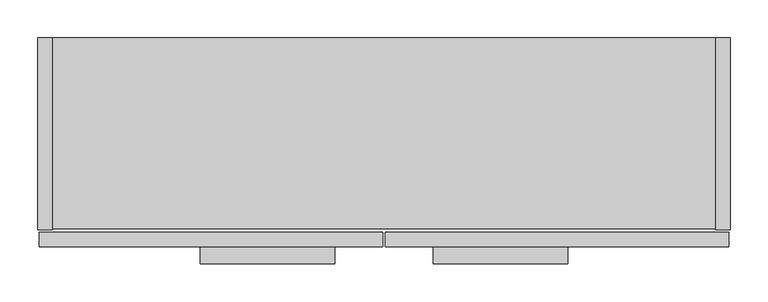
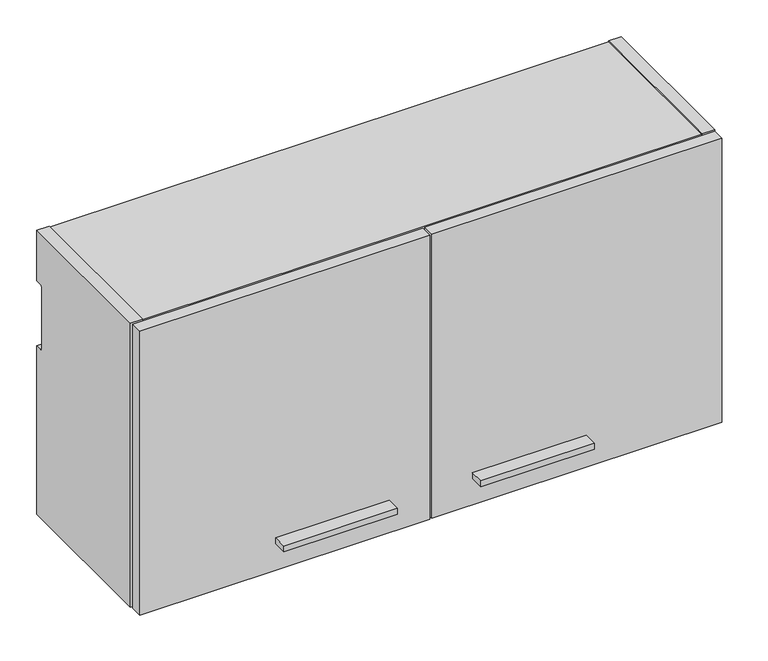
"""IFC4 building model written with IfcOpenShell, lengths in millimetres: furniture geometry."""

from ifc_helpers import new_model, si_unit, point, frame, frame_2d, origin, place, context, project, spatial, polyline, circle_curve, trimmed, segment, composite_curve, outline, extrude, source, transform, mapped, element, save


def furniture_4ce5bffc(model_context):
    return source(origin(), model_context, "Body", "SweptSolid", [
        extrude(outline(polyline([(700.0875, -298.45), (522.2875, -298.45), (522.2875, -276.225), (700.0875, -276.225), (700.0875, -298.45)])), frame((0.0, 0.0, 1923.4531), z_axis=(0.0, 0.0, 1.0), x_axis=(1.0, 0.0, 0.0)), (0.0, 0.0, 1.0), 9.525),
        extrude(outline(polyline([(392.1125, -298.45), (214.3125, -298.45), (214.3125, -276.225), (392.1125, -276.225), (392.1125, -298.45)])), frame((0.0, 0.0, 1923.4531), z_axis=(0.0, 0.0, 1.0), x_axis=(1.0, 0.0, 0.0)), (0.0, 0.0, 1.0), 9.525),
        extrude(outline(polyline([(912.8125, -276.225), (458.7875, -276.225), (458.7875, -256.921), (912.8125, -256.921), (912.8125, -276.225)])), frame((0.0, 0.0, 1879.6), z_axis=(0.0, 0.0, 1.0), x_axis=(1.0, 0.0, 0.0)), (0.0, 0.0, 1.0), 469.9),
        extrude(outline(polyline([(455.6125, -276.225), (1.5875, -276.225), (1.5875, -256.921), (455.6125, -256.921), (455.6125, -276.225)])), frame((0.0, 0.0, 1879.6), z_axis=(0.0, 0.0, 1.0), x_axis=(1.0, 0.0, 0.0)), (0.0, 0.0, 1.0), 469.9),
        extrude(outline(polyline([(914.4, -253.746), (895.096, -253.746), (895.096, 0.0), (914.4, 0.0), (914.4, -253.746)])), frame((0.0, 0.0, 1879.6), z_axis=(0.0, 0.0, 1.0), x_axis=(1.0, 0.0, 0.0)), (0.0, 0.0, 1.0), 469.9),
        extrude(outline(polyline([(895.096, -252.222), (19.304, -252.222), (19.304, -12.7), (895.096, -12.7), (895.096, -252.222)])), frame((0.0, 0.0, 1881.124), z_axis=(0.0, 0.0, 1.0), x_axis=(1.0, 0.0, 0.0)), (0.0, 0.0, 1.0), 19.304),
        extrude(outline(polyline([(895.096, -12.7), (895.096, -32.004), (19.304, -32.004), (19.304, -12.7), (895.096, -12.7)])), frame((0.0, 0.0, 1900.428), z_axis=(0.0, 0.0, 1.0), x_axis=(1.0, 0.0, 0.0)), (0.0, 0.0, 1.0), 429.768),
        extrude(outline(composite_curve([segment(polyline([(-253.746, 1879.6), (-253.746, 2349.5), (0.0, 2349.5), (0.0, 2266.442), (-9.5254487, 2266.442)]), True, "CONTINUOUS"), segment(trimmed(circle_curve(frame_2d((-9.5254487, 2263.2674487)), 3.1745513), [point((-9.5254487, 2266.442))], [point((-12.7, 2263.2674487))], True, "CARTESIAN"), True, "CONTINUOUS"), segment(polyline([(-12.7, 2263.2674487), (-12.7, 2161.667)]), True, "CONTINUOUS"), segment(trimmed(circle_curve(frame_2d((-9.525, 2161.667)), 3.175), [point((-12.7, 2161.667))], [point((-9.525, 2158.492))], True, "CARTESIAN"), True, "CONTINUOUS"), segment(polyline([(-9.525, 2158.492), (0.0, 2158.492), (0.0, 1879.6), (-253.746, 1879.6)]), True, "CONTINUOUS")], self_intersect=False)), frame((0.0, 0.0, 0.0), z_axis=(1.0, 0.0, 0.0), x_axis=(0.0, 1.0, 0.0)), (0.0, 0.0, 1.0), 19.304),
        extrude(outline(polyline([(895.096, -252.222), (19.304, -252.222), (19.304, 0.0), (895.096, 0.0), (895.096, -252.222)])), frame((0.0, 0.0, 2330.196), z_axis=(0.0, 0.0, 1.0), x_axis=(1.0, 0.0, 0.0)), (0.0, 0.0, 1.0), 17.78),
    ])


if __name__ == "__main__":
    model = new_model("IFC4")
    model_context = context("Model", 3, world=origin())
    ifc_project = project(units=[si_unit("LENGTHUNIT", "METRE", prefix="MILLI")], contexts=[model_context])
    site = spatial("IfcSite", under=ifc_project)
    building = spatial("IfcBuilding", under=site)
    placement = place(None, origin())
    furniture_shape = furniture_4ce5bffc(model_context)
    element("IfcFurniture", 1, at=placement, inside=building, context=model_context, shape_type="MappedRepresentation", body=[
        mapped(furniture_shape, transform((0.0, 0.0, 0.0), x_axis=(1.0, 0.0, 0.0), y_axis=(0.0, 1.0, 0.0), z_axis=(0.0, 0.0, 1.0))),
    ])
    save(model, "model.ifc")
